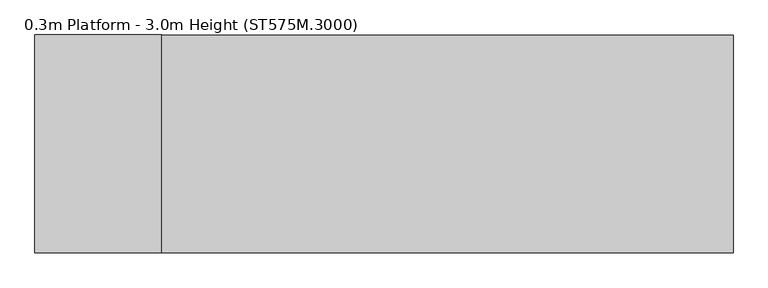
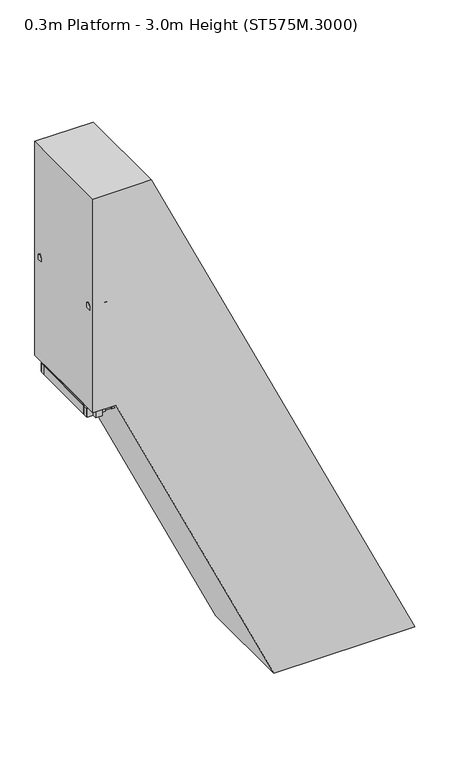
"""IFC4 building model written with IfcOpenShell, lengths in millimetres: proxy geometry, 0.3m Platform - 3.0m Height (ST575M.3000)."""

import ifcopenshell
import ifcopenshell.guid

model = None  # the IFC model being written
_history = None  # IfcOwnerHistory: only IFC2X3 demands one
_inside = {}  # id of a spatial element -> (the spatial element, [elements in it])
_under = {}  # id of a project, library or spatial element -> (it, [spatial elements below it])
_declared = {}  # id of a project -> (the project, [libraries it declares])
_typed = {}  # id of a type object -> (the type object, [elements of that type])
_made_of = {}  # id of a material, layer set ... -> (it, [elements and type objects made of it])


def new_model(schema):
    """Start an empty IFC model of exactly this schema.

    Asked for "IFC4X3", IfcOpenShell would pick the latest addendum, in which some entities
    have other attributes; the version numbers below select the first issue.
    IFC2X3 requires an IfcOwnerHistory on every rooted entity: one is made here for all.
    """
    global model, _history
    if schema == "IFC4X3":
        model = ifcopenshell.file(schema_version=(4, 3, 0, 0))
    else:
        model = ifcopenshell.file(schema=schema)
    _inside.clear()
    _under.clear()
    _declared.clear()
    _typed.clear()
    _made_of.clear()
    _history = None
    if model.schema == "IFC2X3":
        org = make("IfcOrganization", Name="unknown")
        user = make(
            "IfcPersonAndOrganization",
            ThePerson=make("IfcPerson", FamilyName="unknown"),
            TheOrganization=org,
        )
        app = make(
            "IfcApplication",
            ApplicationDeveloper=org,
            Version="unknown",
            ApplicationFullName="unknown",
            ApplicationIdentifier="unknown",
        )
        _history = make(
            "IfcOwnerHistory",
            OwningUser=user,
            OwningApplication=app,
            ChangeAction="ADDED",
            CreationDate=0,
        )
    return model


def make(cls, **values):
    """One entity of the class cls with the attributes given. An attribute that is None is left unset."""
    return model.create_entity(
        cls, **{name: value for name, value in values.items() if value is not None}
    )


def rooted(cls, **values):
    """An entity with a GlobalId (a new one), such as an element, a storey or a relation."""
    return make(cls, GlobalId=ifcopenshell.guid.new(), OwnerHistory=_history, **values)


def si_unit(unit_type, name, prefix=None):
    """IfcSIUnit, for example si_unit("LENGTHUNIT", "METRE", prefix="MILLI")."""
    return make("IfcSIUnit", UnitType=unit_type, Prefix=prefix, Name=name)


def assignment(units):
    """IfcUnitAssignment: the units of a project."""
    return None if units is None else make("IfcUnitAssignment", Units=units)


def point(xyz):
    """IfcCartesianPoint."""
    return None if xyz is None else make("IfcCartesianPoint", Coordinates=xyz)


def direction(xyz):
    """IfcDirection."""
    return None if xyz is None else make("IfcDirection", DirectionRatios=xyz)


def frame(location, z_axis=None, x_axis=None):
    """IfcAxis2Placement3D, a coordinate frame: its origin and axes. An axis left out is left unset."""
    return make(
        "IfcAxis2Placement3D",
        Location=point(location),
        Axis=direction(z_axis),
        RefDirection=direction(x_axis),
    )


def frame_2d(location, x_axis=None):
    """IfcAxis2Placement2D, a coordinate frame in the plane: its origin and x axis."""
    return make(
        "IfcAxis2Placement2D", Location=point(location), RefDirection=direction(x_axis)
    )


def origin():
    """The frame at (0, 0, 0) with its axes left unset."""
    return frame((0.0, 0.0, 0.0))


def origin_with_axes():
    """The frame at (0, 0, 0) with the z axis (0, 0, 1) and the x axis (1, 0, 0) written out."""
    return frame((0.0, 0.0, 0.0), z_axis=(0.0, 0.0, 1.0), x_axis=(1.0, 0.0, 0.0))


def place(relative_to, where):
    """IfcLocalPlacement: puts the frame where relative to a parent placement (None: the world)."""
    return make(
        "IfcLocalPlacement", PlacementRelTo=relative_to, RelativePlacement=where
    )


def context(
    kind, dimensions, precision=None, world=None, true_north=None, identifier=None
):
    """IfcGeometricRepresentationContext, for example the 3D "Model" context."""
    return make(
        "IfcGeometricRepresentationContext",
        ContextIdentifier=identifier,
        ContextType=kind,
        CoordinateSpaceDimension=dimensions,
        Precision=precision,
        WorldCoordinateSystem=world,
        TrueNorth=true_north,
    )


def project(units=None, contexts=None):
    """IfcProject with its units and contexts."""
    return rooted(
        "IfcProject",
        Name="project",
        RepresentationContexts=contexts,
        UnitsInContext=assignment(units),
    )


def spatial(cls, under=None, at=None, **own):
    """A site, building, storey or space (cls), placed at a placement, below another one or the project."""
    s = rooted(cls, ObjectPlacement=at, **own)
    if under is not None:
        _under.setdefault(under.id(), (under, []))[1].append(s)
    return s


def polyline(points):
    """IfcPolyline through the points."""
    return make("IfcPolyline", Points=[point(p) for p in points])


def circle_curve(where, radius):
    """IfcCircle in the frame where."""
    return make("IfcCircle", Position=where, Radius=radius)


def ellipse_curve(where, semi_axis1, semi_axis2):
    """IfcEllipse in the frame where."""
    return make(
        "IfcEllipse", Position=where, SemiAxis1=semi_axis1, SemiAxis2=semi_axis2
    )


def trimmed(basis, trim1, trim2, sense, master):
    """IfcTrimmedCurve: the piece of a basis curve between two trims."""
    return make(
        "IfcTrimmedCurve",
        BasisCurve=basis,
        Trim1=trim1,
        Trim2=trim2,
        SenseAgreement=sense,
        MasterRepresentation=master,
    )


def segment(curve, same_sense, transition):
    """IfcCompositeCurveSegment."""
    return make(
        "IfcCompositeCurveSegment",
        Transition=transition,
        SameSense=same_sense,
        ParentCurve=curve,
    )


def composite_curve(segments, self_intersect=None):
    """IfcCompositeCurve: segments joined end to end."""
    return make("IfcCompositeCurve", Segments=segments, SelfIntersect=self_intersect)


def outline(outer, holes=None, kind="AREA"):
    """IfcArbitraryClosedProfileDef: a profile drawn as a closed curve; with holes, ...WithVoids."""
    if holes is None:
        return make("IfcArbitraryClosedProfileDef", ProfileType=kind, OuterCurve=outer)
    return make(
        "IfcArbitraryProfileDefWithVoids",
        ProfileType=kind,
        OuterCurve=outer,
        InnerCurves=holes,
    )


def extrude(swept, where, along, depth):
    """IfcExtrudedAreaSolid: the profile swept, set in the frame where, extruded along a direction by depth."""
    return make(
        "IfcExtrudedAreaSolid",
        SweptArea=swept,
        Position=where,
        ExtrudedDirection=direction(along),
        Depth=depth,
    )


def shape(context_of_items, identifier, shape_type, items):
    """IfcShapeRepresentation: the items that make up one representation, for example the "Body"."""
    return make(
        "IfcShapeRepresentation",
        ContextOfItems=context_of_items,
        RepresentationIdentifier=identifier,
        RepresentationType=shape_type,
        Items=items,
    )


def source(mapping_origin, context_of_items, identifier, shape_type, items):
    """IfcRepresentationMap: a shape defined once, which mapped items show again and again."""
    return make(
        "IfcRepresentationMap",
        MappingOrigin=mapping_origin,
        MappedRepresentation=shape(context_of_items, identifier, shape_type, items),
    )


def transform(
    local_origin,
    x_axis=None,
    y_axis=None,
    z_axis=None,
    scale=None,
    scale2=None,
    scale3=None,
    uniform=True,
):
    """IfcCartesianTransformationOperator3D, or its non-uniform kind. x_axis, y_axis, z_axis: its Axis1, 2, 3."""
    if uniform:
        return make(
            "IfcCartesianTransformationOperator3D",
            Axis1=direction(x_axis),
            Axis2=direction(y_axis),
            LocalOrigin=point(local_origin),
            Scale=scale,
            Axis3=direction(z_axis),
        )
    return make(
        "IfcCartesianTransformationOperator3DnonUniform",
        Axis1=direction(x_axis),
        Axis2=direction(y_axis),
        LocalOrigin=point(local_origin),
        Scale=scale,
        Axis3=direction(z_axis),
        Scale2=scale2,
        Scale3=scale3,
    )


def mapped(mapping_source, mapping_target):
    """IfcMappedItem: shows the shape of a source again, moved by a transform."""
    return make(
        "IfcMappedItem", MappingSource=mapping_source, MappingTarget=mapping_target
    )


def made_of(thing, what):
    """Note that an element or type object is made of a material, layer set ...; save() writes the relation."""
    if what is not None:
        _made_of.setdefault(what.id(), (what, []))[1].append(thing)
    return thing


def element(
    cls,
    number,
    at=None,
    inside=None,
    cuts=None,
    type_object=None,
    material=None,
    context=None,
    identifier="Body",
    shape_type=None,
    held_by="IfcProductDefinitionShape",
    body=None,
    shapes=None,
    **own,
):
    """One element of the class cls, such as IfcWall. Its Tag is "e" and its number.

    at: its placement. inside: the storey or other place that contains it. cuts: it is an
    opening in that element (IfcRelVoidsElement). A single representation is given by context,
    identifier, shape_type and body (its items); several are given by shapes. held_by: the class
    of the entity that holds the representations. save() writes the other relations.
    """
    e = rooted(cls, Tag="e%d" % number, ObjectPlacement=at, **own)
    if body is not None:
        shapes = [shape(context, identifier, shape_type, body)]
    if shapes is not None:
        e.Representation = make(held_by, Representations=shapes)
    if inside is not None:
        _inside.setdefault(inside.id(), (inside, []))[1].append(e)
    if cuts is not None:
        rooted(
            "IfcRelVoidsElement", RelatingBuildingElement=cuts, RelatedOpeningElement=e
        )
    if type_object is not None:
        _typed.setdefault(type_object.id(), (type_object, []))[1].append(e)
    return made_of(e, material)


def aggregate(whole, parts):
    """IfcRelAggregates: a whole, such as a stair, and the parts it consists of."""
    return rooted("IfcRelAggregates", RelatingObject=whole, RelatedObjects=parts)


def save(model, path):
    """Write the relations noted so far, then the file.

    IfcRelAggregates (storeys below a building ...), IfcRelContainedInSpatialStructure (elements
    in a storey), IfcRelDefinesByType, IfcRelAssociatesMaterial and IfcRelDeclares: one each for
    every whole, place, type object, material and project.
    """
    for whole, parts in _under.values():
        aggregate(whole, parts)
    for where, things in _inside.values():
        rooted(
            "IfcRelContainedInSpatialStructure",
            RelatedElements=things,
            RelatingStructure=where,
        )
    for kind, things in _typed.values():
        rooted("IfcRelDefinesByType", RelatedObjects=things, RelatingType=kind)
    for what, things in _made_of.values():
        rooted("IfcRelAssociatesMaterial", RelatedObjects=things, RelatingMaterial=what)
    for by, libraries in _declared.values():
        rooted("IfcRelDeclares", RelatingContext=by, RelatedDefinitions=libraries)
    model.write(path)


def plane_surface(at):
    """IfcPlane: the flat surface through the origin of the frame at, square to its z axis."""
    return make("IfcPlane", Position=at)


def cylinder_surface(at, radius):
    """IfcCylindricalSurface: all points at the distance radius from the z axis of the frame at."""
    return make("IfcCylindricalSurface", Position=at, Radius=radius)


def advanced_brep(points, edges, surfaces, faces):
    """IfcAdvancedBrep: a solid bounded by faces that lie on surfaces and meet in shared edges.

    An edge is (start, end): straight between two places in points (the first is 0);
    or (start, end, curve); or (start, end, curve, False) where it runs against its curve.
    A face is (place in surfaces, loops), or (place, loops, False) where it looks against
    its surface's normal. A loop lists edges by number (the first is 1), with a minus sign
    where the edge is run from its end to its start. The first loop is the outer one.
    """
    corners = [point(p) for p in points]
    vertices = [make("IfcVertexPoint", VertexGeometry=c) for c in corners]
    made = []
    for start, end, *more in edges:
        made.append(
            make(
                "IfcEdgeCurve",
                EdgeStart=vertices[start],
                EdgeEnd=vertices[end],
                EdgeGeometry=more[0] if more else make("IfcPolyline", Points=[corners[start], corners[end]]),
                SameSense=more[1] if len(more) > 1 else True,
            )
        )
    hull = []
    for where, loops, *sense in faces:
        bounds = []
        for j, loop in enumerate(loops):
            ring = [make("IfcOrientedEdge", EdgeElement=made[abs(k) - 1], Orientation=k > 0) for k in loop]
            bounds.append(
                make(
                    "IfcFaceOuterBound" if j == 0 else "IfcFaceBound",
                    Bound=make("IfcEdgeLoop", EdgeList=ring),
                    Orientation=True,
                )
            )
        hull.append(make("IfcAdvancedFace", Bounds=bounds, FaceSurface=surfaces[where], SameSense=sense[0] if sense else True))
    return make("IfcAdvancedBrep", Outer=make("IfcClosedShell", CfsFaces=hull))


def proxy_0_3m_platform_3_0m_height_st575m_3000_b256cfc6(model_context):
    return source(origin(), model_context, "Body", "SolidModel", [
        extrude(outline(polyline([(2750.0, 12.5750364), (2670.0, 49.879644), (2670.0, 160.217441), (2750.0, 122.9128284), (2750.0, 12.5750364)])), frame((0.0, 298.5, 0.0), z_axis=(0.0, 1.0, 0.0), x_axis=(0.0, 0.0, 1.0)), (0.0, 0.0, 1.0), 6.0),
        extrude(outline(polyline([(2750.0, 12.5750364), (2670.0, 49.879644), (2670.0, 160.217441), (2750.0, 122.9128284), (2750.0, 12.5750364)])), frame((0.0, -304.5, 0.0), z_axis=(0.0, 1.0, 0.0), x_axis=(0.0, 0.0, 1.0)), (0.0, 0.0, 1.0), 6.0),
        extrude(outline(polyline([(2750.0, 19.7469927), (2712.0999991, 37.4200509), (2712.0999991, 39.6268067), (2747.0, 23.3526712), (2747.0, 122.1049955), (2712.0999991, 138.3791332), (2712.0999991, 140.585889), (2750.0, 122.9128284), (2750.0, 102.4850872), (2749.2749538, 102.1469927), (2750.0, 101.8088981), (2750.0, 81.8850872), (2749.2749538, 81.5469927), (2750.0, 81.2088981), (2750.0, 61.2850872), (2749.2749538, 60.9469927), (2750.0, 60.6088981), (2750.0, 40.6850872), (2749.2749538, 40.3469927), (2750.0, 40.0088981), (2750.0, 19.7469927)])), frame((0.0, -298.5, 0.0), z_axis=(0.0, 1.0, 0.0), x_axis=(0.0, 0.0, 1.0)), (0.0, 0.0, 1.0), 597.0),
        extrude(outline(polyline([(2500.0, 129.1548609), (2420.0, 166.4594685), (2420.0, 276.7972656), (2500.0, 239.492653), (2500.0, 129.1548609)])), frame((0.0, 298.5, 0.0), z_axis=(0.0, 1.0, 0.0), x_axis=(0.0, 0.0, 1.0)), (0.0, 0.0, 1.0), 6.0),
        extrude(outline(polyline([(2500.0, 129.1548609), (2420.0, 166.4594685), (2420.0, 276.7972656), (2500.0, 239.492653), (2500.0, 129.1548609)])), frame((0.0, -304.5, 0.0), z_axis=(0.0, 1.0, 0.0), x_axis=(0.0, 0.0, 1.0)), (0.0, 0.0, 1.0), 6.0),
        extrude(outline(polyline([(2500.0, 136.3268172), (2462.0999991, 153.9998755), (2462.0999991, 156.2066313), (2497.0, 139.9324958), (2497.0, 238.6848201), (2462.0999991, 254.9589578), (2462.0999991, 257.1657136), (2500.0, 239.492653), (2500.0, 219.0649118), (2499.2749538, 218.7268172), (2500.0, 218.3887227), (2500.0, 198.4649118), (2499.2749538, 198.1268172), (2500.0, 197.7887227), (2500.0, 177.8649118), (2499.2749538, 177.5268172), (2500.0, 177.1887227), (2500.0, 157.2649118), (2499.2749538, 156.9268172), (2500.0, 156.5887227), (2500.0, 136.3268172)])), frame((0.0, -298.5, 0.0), z_axis=(0.0, 1.0, 0.0), x_axis=(0.0, 0.0, 1.0)), (0.0, 0.0, 1.0), 597.0),
        extrude(outline(polyline([(2250.0, 245.7346855), (2170.0, 283.0392931), (2170.0, 393.3770902), (2250.0, 356.0724775), (2250.0, 245.7346855)])), frame((0.0, 298.5, 0.0), z_axis=(0.0, 1.0, 0.0), x_axis=(0.0, 0.0, 1.0)), (0.0, 0.0, 1.0), 6.0),
        extrude(outline(polyline([(2250.0, 245.7346855), (2170.0, 283.0392931), (2170.0, 393.3770902), (2250.0, 356.0724775), (2250.0, 245.7346855)])), frame((0.0, -304.5, 0.0), z_axis=(0.0, 1.0, 0.0), x_axis=(0.0, 0.0, 1.0)), (0.0, 0.0, 1.0), 6.0),
        extrude(outline(polyline([(2250.0, 252.9066418), (2212.0999991, 270.5797), (2212.0999991, 272.7864558), (2247.0, 256.5123204), (2247.0, 355.2646447), (2212.0999991, 371.5387823), (2212.0999991, 373.7455382), (2250.0, 356.0724775), (2250.0, 335.6447364), (2249.2749538, 335.3066418), (2250.0, 334.9685472), (2250.0, 315.0447364), (2249.2749538, 314.7066418), (2250.0, 314.3685472), (2250.0, 294.4447364), (2249.2749538, 294.1066418), (2250.0, 293.7685472), (2250.0, 273.8447364), (2249.2749538, 273.5066418), (2250.0, 273.1685472), (2250.0, 252.9066418)])), frame((0.0, -298.5, 0.0), z_axis=(0.0, 1.0, 0.0), x_axis=(0.0, 0.0, 1.0)), (0.0, 0.0, 1.0), 597.0),
        extrude(outline(polyline([(2000.0, 362.3145101), (1920.0, 399.6191177), (1920.0, 509.9569147), (2000.0, 472.6523021), (2000.0, 362.3145101)])), frame((0.0, 298.5, 0.0), z_axis=(0.0, 1.0, 0.0), x_axis=(0.0, 0.0, 1.0)), (0.0, 0.0, 1.0), 6.0),
        extrude(outline(polyline([(2000.0, 362.3145101), (1920.0, 399.6191177), (1920.0, 509.9569147), (2000.0, 472.6523021), (2000.0, 362.3145101)])), frame((0.0, -304.5, 0.0), z_axis=(0.0, 1.0, 0.0), x_axis=(0.0, 0.0, 1.0)), (0.0, 0.0, 1.0), 6.0),
        extrude(outline(polyline([(2000.0, 369.4864664), (1962.0999991, 387.1595246), (1962.0999991, 389.3662804), (1997.0, 373.0921449), (1997.0, 471.8444692), (1962.0999991, 488.1186069), (1962.0999991, 490.3253627), (2000.0, 472.6523021), (2000.0, 452.2245609), (1999.2749538, 451.8864664), (2000.0, 451.5483718), (2000.0, 431.6245609), (1999.2749538, 431.2864664), (2000.0, 430.9483718), (2000.0, 411.0245609), (1999.2749538, 410.6864664), (2000.0, 410.3483718), (2000.0, 390.4245609), (1999.2749538, 390.0864664), (2000.0, 389.7483718), (2000.0, 369.4864664)])), frame((0.0, -298.5, 0.0), z_axis=(0.0, 1.0, 0.0), x_axis=(0.0, 0.0, 1.0)), (0.0, 0.0, 1.0), 597.0),
        extrude(outline(polyline([(1750.0, 478.8943346), (1670.0, 516.1989422), (1670.0, 626.5367393), (1750.0, 589.2321266), (1750.0, 478.8943346)])), frame((0.0, 298.5, 0.0), z_axis=(0.0, 1.0, 0.0), x_axis=(0.0, 0.0, 1.0)), (0.0, 0.0, 1.0), 6.0),
        extrude(outline(polyline([(1750.0, 478.8943346), (1670.0, 516.1989422), (1670.0, 626.5367393), (1750.0, 589.2321266), (1750.0, 478.8943346)])), frame((0.0, -304.5, 0.0), z_axis=(0.0, 1.0, 0.0), x_axis=(0.0, 0.0, 1.0)), (0.0, 0.0, 1.0), 6.0),
        extrude(outline(polyline([(1750.0, 486.0662909), (1712.0999991, 503.7393492), (1712.0999991, 505.9461049), (1747.0, 489.6719695), (1747.0, 588.4242938), (1712.0999991, 604.6984314), (1712.0999991, 606.9051873), (1750.0, 589.2321266), (1750.0, 568.8043855), (1749.2749538, 568.4662909), (1750.0, 568.1281963), (1750.0, 548.2043855), (1749.2749538, 547.8662909), (1750.0, 547.5281963), (1750.0, 527.6043855), (1749.2749538, 527.2662909), (1750.0, 526.9281963), (1750.0, 507.0043855), (1749.2749538, 506.6662909), (1750.0, 506.3281963), (1750.0, 486.0662909)])), frame((0.0, -298.5, 0.0), z_axis=(0.0, 1.0, 0.0), x_axis=(0.0, 0.0, 1.0)), (0.0, 0.0, 1.0), 597.0),
        extrude(outline(polyline([(1500.0, 595.4741592), (1420.0, 632.7787668), (1420.0, 743.1165638), (1500.0, 705.8119512), (1500.0, 595.4741592)])), frame((0.0, 298.5, 0.0), z_axis=(0.0, 1.0, 0.0), x_axis=(0.0, 0.0, 1.0)), (0.0, 0.0, 1.0), 6.0),
        extrude(outline(polyline([(1500.0, 595.4741592), (1420.0, 632.7787668), (1420.0, 743.1165638), (1500.0, 705.8119512), (1500.0, 595.4741592)])), frame((0.0, -304.5, 0.0), z_axis=(0.0, 1.0, 0.0), x_axis=(0.0, 0.0, 1.0)), (0.0, 0.0, 1.0), 6.0),
        extrude(outline(polyline([(1500.0, 602.6461155), (1462.0999991, 620.3191737), (1462.0999991, 622.5259295), (1497.0, 606.251794), (1497.0, 705.0041183), (1462.0999991, 721.278256), (1462.0999991, 723.4850118), (1500.0, 705.8119512), (1500.0, 685.38421), (1499.2749538, 685.0461155), (1500.0, 684.7080209), (1500.0, 664.78421), (1499.2749538, 664.4461155), (1500.0, 664.1080209), (1500.0, 644.18421), (1499.2749538, 643.8461155), (1500.0, 643.5080209), (1500.0, 623.58421), (1499.2749538, 623.2461155), (1500.0, 622.9080209), (1500.0, 602.6461155)])), frame((0.0, -298.5, 0.0), z_axis=(0.0, 1.0, 0.0), x_axis=(0.0, 0.0, 1.0)), (0.0, 0.0, 1.0), 597.0),
        extrude(outline(polyline([(1250.0, 712.0539837), (1170.0, 749.3585913), (1170.0, 859.6963884), (1250.0, 822.3917758), (1250.0, 712.0539837)])), frame((0.0, 298.5, 0.0), z_axis=(0.0, 1.0, 0.0), x_axis=(0.0, 0.0, 1.0)), (0.0, 0.0, 1.0), 6.0),
        extrude(outline(polyline([(1250.0, 712.0539837), (1170.0, 749.3585913), (1170.0, 859.6963884), (1250.0, 822.3917758), (1250.0, 712.0539837)])), frame((0.0, -304.5, 0.0), z_axis=(0.0, 1.0, 0.0), x_axis=(0.0, 0.0, 1.0)), (0.0, 0.0, 1.0), 6.0),
        extrude(outline(polyline([(1250.0, 719.22594), (1212.0999991, 736.8989983), (1212.0999991, 739.1057541), (1247.0, 722.8316186), (1247.0, 821.5839429), (1212.0999991, 837.8580806), (1212.0999991, 840.0648364), (1250.0, 822.3917758), (1250.0, 801.9640346), (1249.2749538, 801.62594), (1250.0, 801.2878455), (1250.0, 781.3640346), (1249.2749538, 781.02594), (1250.0, 780.6878455), (1250.0, 760.7640346), (1249.2749538, 760.42594), (1250.0, 760.0878455), (1250.0, 740.1640346), (1249.2749538, 739.82594), (1250.0, 739.4878455), (1250.0, 719.22594)])), frame((0.0, -298.5, 0.0), z_axis=(0.0, 1.0, 0.0), x_axis=(0.0, 0.0, 1.0)), (0.0, 0.0, 1.0), 597.0),
        extrude(outline(polyline([(1000.0, 828.6338083), (920.0, 865.9384159), (920.0, 976.276213), (1000.0, 938.9716003), (1000.0, 828.6338083)])), frame((0.0, 298.5, 0.0), z_axis=(0.0, 1.0, 0.0), x_axis=(0.0, 0.0, 1.0)), (0.0, 0.0, 1.0), 6.0),
        extrude(outline(polyline([(1000.0, 828.6338083), (920.0, 865.9384159), (920.0, 976.276213), (1000.0, 938.9716003), (1000.0, 828.6338083)])), frame((0.0, -304.5, 0.0), z_axis=(0.0, 1.0, 0.0), x_axis=(0.0, 0.0, 1.0)), (0.0, 0.0, 1.0), 6.0),
        extrude(outline(polyline([(1000.0, 835.8057646), (962.0999991, 853.4788228), (962.0999991, 855.6855786), (997.0, 839.4114432), (997.0, 938.1637674), (962.0999991, 954.4379051), (962.0999991, 956.644661), (1000.0, 938.9716003), (1000.0, 918.5438592), (999.2749538, 918.2057646), (1000.0, 917.86767), (1000.0, 897.9438592), (999.2749538, 897.6057646), (1000.0, 897.26767), (1000.0, 877.3438592), (999.2749538, 877.0057646), (1000.0, 876.66767), (1000.0, 856.7438592), (999.2749538, 856.4057646), (1000.0, 856.06767), (1000.0, 835.8057646)])), frame((0.0, -298.5, 0.0), z_axis=(0.0, 1.0, 0.0), x_axis=(0.0, 0.0, 1.0)), (0.0, 0.0, 1.0), 597.0),
        extrude(outline(polyline([(750.0, 945.2136328), (670.0, 982.5182404), (670.0, 1092.8560375), (750.0, 1055.5514249), (750.0, 945.2136328)])), frame((0.0, 298.5, 0.0), z_axis=(0.0, 1.0, 0.0), x_axis=(0.0, 0.0, 1.0)), (0.0, 0.0, 1.0), 6.0),
        extrude(outline(polyline([(750.0, 945.2136328), (670.0, 982.5182404), (670.0, 1092.8560375), (750.0, 1055.5514249), (750.0, 945.2136328)])), frame((0.0, -304.5, 0.0), z_axis=(0.0, 1.0, 0.0), x_axis=(0.0, 0.0, 1.0)), (0.0, 0.0, 1.0), 6.0),
        extrude(outline(polyline([(750.0, 952.3855891), (712.0999991, 970.0586474), (712.0999991, 972.2654032), (747.0, 955.9912677), (747.0, 1054.743592), (712.0999991, 1071.0177297), (712.0999991, 1073.2244855), (750.0, 1055.5514249), (750.0, 1035.1236837), (749.2749538, 1034.7855891), (750.0, 1034.4474946), (750.0, 1014.5236837), (749.2749538, 1014.1855891), (750.0, 1013.8474946), (750.0, 993.9236837), (749.2749538, 993.5855891), (750.0, 993.2474946), (750.0, 973.3236837), (749.2749538, 972.9855891), (750.0, 972.6474946), (750.0, 952.3855891)])), frame((0.0, -298.5, 0.0), z_axis=(0.0, 1.0, 0.0), x_axis=(0.0, 0.0, 1.0)), (0.0, 0.0, 1.0), 597.0),
        extrude(outline(polyline([(500.0, 1061.7934574), (420.0, 1099.098065), (420.0, 1209.4358621), (500.0, 1172.1312494), (500.0, 1061.7934574)])), frame((0.0, 298.5, 0.0), z_axis=(0.0, 1.0, 0.0), x_axis=(0.0, 0.0, 1.0)), (0.0, 0.0, 1.0), 6.0),
        extrude(outline(polyline([(500.0, 1061.7934574), (420.0, 1099.098065), (420.0, 1209.4358621), (500.0, 1172.1312494), (500.0, 1061.7934574)])), frame((0.0, -304.5, 0.0), z_axis=(0.0, 1.0, 0.0), x_axis=(0.0, 0.0, 1.0)), (0.0, 0.0, 1.0), 6.0),
        extrude(outline(polyline([(500.0, 1068.9654137), (462.0999991, 1086.638472), (462.0999991, 1088.8452277), (497.0, 1072.5710923), (497.0, 1171.3234166), (462.0999991, 1187.5975542), (462.0999991, 1189.8043101), (500.0, 1172.1312494), (500.0, 1151.7035083), (499.2749538, 1151.3654137), (500.0, 1151.0273191), (500.0, 1131.1035083), (499.2749538, 1130.7654137), (500.0, 1130.4273191), (500.0, 1110.5035083), (499.2749538, 1110.1654137), (500.0, 1109.8273191), (500.0, 1089.9035083), (499.2749538, 1089.5654137), (500.0, 1089.2273191), (500.0, 1068.9654137)])), frame((0.0, -298.5, 0.0), z_axis=(0.0, 1.0, 0.0), x_axis=(0.0, 0.0, 1.0)), (0.0, 0.0, 1.0), 597.0),
        extrude(outline(polyline([(0.0, -6.0), (0.0, 0.0), (50.0, 0.0), (50.0, -6.0), (0.0, -6.0)])), frame((368.898791, 296.0, 1938.5847001), z_axis=(-8.781861804862954e-06, 0.0, 0.9999999999614395), x_axis=(0.0, -1.0, 0.0)), (0.0, 0.0, 1.0), 120.0),
        extrude(outline(polyline([(2000.5856226, 473.9440907), (2058.585385, 446.8977372), (2058.5847001, 368.8977372), (2000.5847001, 368.8982465), (2000.5856226, 473.9440907)])), frame((0.0, 252.0, 0.0), z_axis=(0.0, 1.0, 0.0), x_axis=(0.0, 0.0, 1.0)), (0.0, 0.0, 1.0), 38.0),
        extrude(outline(polyline([(0.0, -6.0), (0.0, 0.0), (50.0, 0.0), (50.0, -6.0), (0.0, -6.0)])), frame((362.898791, -296.0, 1938.5846474), z_axis=(-8.781861802475976e-06, 0.0, 0.9999999999614396), x_axis=(0.0, 1.0, 0.0)), (0.0, 0.0, 1.0), 120.0),
        extrude(outline(polyline([(2000.5856226, 473.9440907), (2058.585385, 446.8977372), (2058.5847001, 368.8977372), (2000.5847001, 368.8982465), (2000.5856226, 473.9440907)])), frame((0.0, -290.0, 0.0), z_axis=(0.0, 1.0, 0.0), x_axis=(0.0, 0.0, 1.0)), (0.0, 0.0, 1.0), 38.0),
        extrude(outline(polyline([(0.0, -590.0), (0.0, 0.0), (2.0, 0.0), (2.0, -590.0), (0.0, -590.0)])), frame((1427.7195037, -295.0, 49.9008248), z_axis=(-0.42262622079413426, 0.0, 0.9063040756265349), x_axis=(-0.9063040756265349, 0.0, -0.42262622079413426)), (0.0, 0.0, 1.0), 2240.0),
        extrude(outline(polyline([(2250.0, 0.0), (2250.0, -600.0), (0.0, -600.0), (0.0, 0.0), (2250.0, 0.0)]), holes=[polyline([(1096.0, -58.0), (58.0, -58.0), (58.0, -542.0), (1096.0, -542.0), (1096.0, -58.0)]), polyline([(1154.0, -542.0), (2192.0, -542.0), (2192.0, -58.0), (1154.0, -58.0), (1154.0, -542.0)])]), frame((442.671475, 300.0, 2067.6484258), z_axis=(0.9063040756265349, 0.0, 0.42262622079413426), x_axis=(0.42262622079413426, 0.0, -0.9063040756265349)), (0.0, 0.0, 1.0), 38.0),
        extrude(outline(polyline([(0.0, 0.0), (79.9999999, 0.0), (79.9999999, -6.0), (5.9999999, -6.0), (5.9999999, -50.0), (0.0, -50.0), (0.0, 0.0)])), frame((1325.9602764, 343.0, 173.4729077), z_axis=(-0.42262622079413426, 0.0, 0.9063040756265349), x_axis=(-0.9063040756265349, 0.0, -0.42262622079413426)), (0.0, 0.0, 1.0), 50.0),
        extrude(outline(polyline([(0.0, 686.0), (0.0, 736.0), (5.9999999, 736.0), (5.9999999, 692.0), (79.9999999, 692.0), (79.9999999, 686.0), (0.0, 686.0)])), frame((1325.9602764, 343.0, 173.4729077), z_axis=(-0.42262622079413426, 0.0, 0.9063040756265349), x_axis=(-0.9063040756265349, 0.0, -0.42262622079413426)), (0.0, 0.0, 1.0), 50.0),
        extrude(outline(polyline([(-100.0, 0.0), (0.0, 0.0), (0.0, -50.0), (-6.0, -50.0), (-6.0, -6.0000001), (-100.0, -6.0000001), (-100.0, 0.0)])), frame((1325.9602764, -300.0, 173.4729077), z_axis=(-0.42262622079413426, 0.0, 0.9063040756265349), x_axis=(0.0, 1.0, 0.0)), (0.0, 0.0, 1.0), 50.0),
        extrude(outline(polyline([(700.0, 0.0), (700.0, -6.0000001), (606.0, -6.0000001), (606.0, -50.0), (600.0, -50.0), (600.0, 0.0), (700.0, 0.0)])), frame((1325.9602764, -300.0, 173.4729077), z_axis=(-0.42262622079413426, 0.0, 0.9063040756265349), x_axis=(0.0, 1.0, 0.0)), (0.0, 0.0, 1.0), 50.0),
        extrude(outline(polyline([(1117.980178, 929.6545025), (1132.3752601, 975.9041685), (1038.1196362, 1019.8572955), (1011.9426011, 979.1017703), (989.2849992, 989.6674258), (993.5112614, 998.7304666), (1008.0121267, 991.9684471), (1034.1891617, 1032.7239722), (1144.758259, 981.1635733), (1130.3631769, 934.9139072), (1144.8640421, 928.1518877), (1140.6377799, 919.088847), (1117.980178, 929.6545025)])), frame((0.0, 201.0, 0.0), z_axis=(0.0, 1.0, 0.0), x_axis=(0.0, 0.0, 1.0)), (0.0, 0.0, 1.0), 44.0),
        extrude(outline(polyline([(1117.980178, 929.6545025), (1132.3752601, 975.9041685), (1038.1196362, 1019.8572955), (1011.9426011, 979.1017703), (989.2849992, 989.6674258), (993.5112614, 998.7304666), (1008.0121267, 991.9684471), (1034.1891617, 1032.7239722), (1144.758259, 981.1635733), (1130.3631769, 934.9139072), (1144.8640421, 928.1518877), (1140.6377799, 919.088847), (1117.980178, 929.6545025)])), frame((0.0, -245.0, 0.0), z_axis=(0.0, 1.0, 0.0), x_axis=(0.0, 0.0, 1.0)), (0.0, 0.0, 1.0), 44.0),
        extrude(outline(polyline([(-0.0541093, 0.0), (0.7582532, 5.9447512), (185.4590012, 5.9447512), (254.8144323, -3.5328109), (254.0020698, -9.4775622), (184.6466388, 0.0), (-0.0541093, 0.0)])), frame((1096.3613539, 375.0, 1079.9808913), z_axis=(-0.4226262207941343, 0.0, 0.9063040756265349), x_axis=(-0.8979587117354807, -0.13539374535780632, -0.41873462447753396)), (0.0, 0.0, 1.0), 80.0),
        extrude(outline(polyline([(-0.0541094, 0.0), (0.7582531, 5.9447512), (185.4590013, 5.9447512), (254.8144324, -3.5328109), (254.0020699, -9.4775622), (184.6466388, 0.0), (-0.0541094, 0.0)])), frame((268.8167535, 375.0, 2854.6153252), z_axis=(-0.4226262207941343, 0.0, 0.9063040756265349), x_axis=(-0.8979587117354807, -0.13539374535780632, -0.41873462447753396)), (0.0, 0.0, 1.0), 80.0),
        extrude(outline(polyline([(0.0, 32.0), (3.0000001, 32.0), (3.0000001, 0.0), (0.0, 0.0), (0.0, 32.0)])), frame((1111.8076407, 388.0, 1054.0823052), z_axis=(-0.42262622079413426, 0.0, 0.9063040756265349), x_axis=(-0.9063040756265349, 0.0, -0.42262622079413426)), (0.0, 0.0, 1.0), 140.0),
        extrude(outline(polyline([(0.0, 32.0), (3.0, 32.0), (3.0, 0.0), (0.0, 0.0), (0.0, 32.0)])), frame((284.2630403, 388.0, 2828.716739), z_axis=(-0.42262622079413426, 0.0, 0.9063040756265349), x_axis=(-0.9063040756265349, 0.0, -0.42262622079413426)), (0.0, 0.0, 1.0), 140.0),
        extrude(outline(composite_curve([segment(trimmed(circle_curve(frame_2d((0.0, 14.189404)), 22.4521533), [point((-17.4, 0.0))], [point((17.4, 0.0))], False, "CARTESIAN"), True, "CONTINUOUS"), segment(polyline([(17.4, 0.0), (-17.4, 0.0)]), True, "CONTINUOUS")], self_intersect=False)), frame((1183.6540982, 372.0, 900.0106123), z_axis=(-0.42262622079413426, 0.0, 0.9063040756265349), x_axis=(0.0, -1.0, 0.0)), (0.0, 0.0, 1.0), 3288.1004671),
        extrude(outline(polyline([(-0.0541093, 0.0), (184.6466389, 0.0), (254.0020699, 9.4775622), (254.8144324, 3.5328109), (185.4590014, -5.9447512), (0.7582532, -5.9447512), (-0.0541093, 0.0)])), frame((1096.3608039, -375.0, 1079.9820711), z_axis=(-0.4226262207941343, 0.0, 0.9063040756265349), x_axis=(-0.8979587117354807, 0.13539374535780632, -0.41873462447753396)), (0.0, 0.0, 1.0), 80.0),
        extrude(outline(polyline([(-0.0541093, 0.0), (184.6466388, 0.0), (254.0020698, 9.4775622), (254.8144323, 3.5328109), (185.4590013, -5.9447512), (0.7582532, -5.9447512), (-0.0541093, 0.0)])), frame((268.8162035, -375.0, 2854.6165049), z_axis=(-0.4226262207941343, 0.0, 0.9063040756265349), x_axis=(-0.8979587117354807, 0.13539374535780632, -0.41873462447753396)), (0.0, 0.0, 1.0), 80.0),
        extrude(outline(polyline([(0.0, -32.0), (0.0, 0.0), (3.0, 0.0), (3.0, -32.0), (0.0, -32.0)])), frame((1111.8070906, -388.0, 1054.0834849), z_axis=(-0.42262622079413426, 0.0, 0.9063040756265349), x_axis=(-0.9063040756265349, 0.0, -0.42262622079413426)), (0.0, 0.0, 1.0), 140.0),
        extrude(outline(polyline([(0.0, -32.0), (0.0, 0.0), (2.9999999, 0.0), (2.9999999, -32.0), (0.0, -32.0)])), frame((284.2624903, -388.0, 2828.7179187), z_axis=(-0.42262622079413426, 0.0, 0.9063040756265349), x_axis=(-0.9063040756265349, 0.0, -0.42262622079413426)), (0.0, 0.0, 1.0), 140.0),
        extrude(outline(composite_curve([segment(polyline([(-17.4, 0.0), (17.4, 0.0)]), True, "CONTINUOUS"), segment(trimmed(circle_curve(frame_2d((0.0, -14.189404)), 22.4521533), [point((17.4, 0.0))], [point((-17.4, 0.0))], False, "CARTESIAN"), True, "CONTINUOUS")], self_intersect=False)), frame((1183.6535482, -372.0, 900.011792), z_axis=(-0.42262622079413426, 0.0, 0.9063040756265349), x_axis=(0.0, 1.0, 0.0)), (0.0, 0.0, 1.0), 3288.1004671),
        extrude(outline(polyline([(3000.0, -104.0047882), (2920.0, -66.7001806), (2920.0, 43.6376165), (3000.0, 6.3330038), (3000.0, -104.0047882)])), frame((0.0, 298.5, 0.0), z_axis=(0.0, 1.0, 0.0), x_axis=(0.0, 0.0, 1.0)), (0.0, 0.0, 1.0), 6.0),
        extrude(outline(polyline([(3000.0, -104.0047882), (2920.0, -66.7001806), (2920.0, 43.6376165), (3000.0, 6.3330038), (3000.0, -104.0047882)])), frame((0.0, -304.5, 0.0), z_axis=(0.0, 1.0, 0.0), x_axis=(0.0, 0.0, 1.0)), (0.0, 0.0, 1.0), 6.0),
        extrude(outline(polyline([(3000.0, -96.8328319), (2962.0999991, -79.1597736), (2962.0999991, -76.9530179), (2997.0, -93.2271533), (2997.0, 5.525171), (2962.0999991, 21.7993086), (2962.0999991, 24.0060645), (3000.0, 6.3330038), (3000.0, -14.0947373), (2999.2749538, -14.4328319), (3000.0, -14.7709265), (3000.0, -34.6947373), (2999.2749538, -35.0328319), (3000.0, -35.3709265), (3000.0, -55.2947373), (2999.2749538, -55.6328319), (3000.0, -55.9709265), (3000.0, -75.8947373), (2999.2749538, -76.2328319), (3000.0, -76.5709265), (3000.0, -96.8328319)])), frame((0.0, -298.5, 0.0), z_axis=(0.0, 1.0, 0.0), x_axis=(0.0, 0.0, 1.0)), (0.0, 0.0, 1.0), 597.0),
        extrude(outline(polyline([(250.0, 1178.373282), (170.0, 1215.6778896), (170.0, 1326.0156866), (250.0, 1288.711074), (250.0, 1178.373282)])), frame((0.0, 298.5, 0.0), z_axis=(0.0, 1.0, 0.0), x_axis=(0.0, 0.0, 1.0)), (0.0, 0.0, 1.0), 6.0),
        extrude(outline(polyline([(250.0, 1178.373282), (170.0, 1215.6778896), (170.0, 1326.0156866), (250.0, 1288.711074), (250.0, 1178.373282)])), frame((0.0, -304.5, 0.0), z_axis=(0.0, 1.0, 0.0), x_axis=(0.0, 0.0, 1.0)), (0.0, 0.0, 1.0), 6.0),
        extrude(outline(polyline([(250.0, 1185.5452383), (212.0999991, 1203.2182965), (212.0999991, 1205.4250523), (247.0, 1189.1509168), (247.0, 1287.9032411), (212.0999991, 1304.1773788), (212.0999991, 1306.3841346), (250.0, 1288.711074), (250.0, 1268.2833328), (249.2749538, 1267.9452383), (250.0, 1267.6071437), (250.0, 1247.6833328), (249.2749538, 1247.3452383), (250.0, 1247.0071437), (250.0, 1227.0833328), (249.2749538, 1226.7452383), (250.0, 1226.4071437), (250.0, 1206.4833328), (249.2749538, 1206.1452383), (250.0, 1205.8071437), (250.0, 1185.5452383)])), frame((0.0, -298.5, 0.0), z_axis=(0.0, 1.0, 0.0), x_axis=(0.0, 0.0, 1.0)), (0.0, 0.0, 1.0), 597.0),
        extrude(outline(polyline([(-108.8328319, -304.5), (-146.8328319, -304.5), (-146.8328319, 304.5), (-108.8328319, 304.5), (-108.8328319, -304.5)])), frame((0.0, 0.0, 2923.0), z_axis=(0.0, 0.0, 1.0), x_axis=(1.0, 0.0, 0.0)), (0.0, 0.0, 1.0), 58.0),
        advanced_brep(
        [(-256.8328319, 372.0, 3942.0), (-256.8328319, 372.0, 3987.0), (-244.1016939, 372.0, 3942.0), (-215.4337404, 372.0, 3987.0), (-213.5569732, 372.0, 3876.4977609), (-172.773248, 372.0, 3895.5158512)],
        [
            (0, 1, circle_curve(frame((-256.8328319, 372.0, 3964.5), z_axis=(-1.0, 0.0, 0.0), x_axis=(0.0, 0.0, 1.0)), 22.5)),
            (1, 0, circle_curve(frame((-256.8328319, 372.0, 3964.5), z_axis=(-1.0, 0.0, 0.0), x_axis=(0.0, 0.0, 1.0)), 22.5)),
            (0, 2),
            (2, 3, ellipse_curve(frame((-229.7677171, 372.0, 3964.5), z_axis=(-0.8433932143582891, 0.0, 0.5372968322765296), x_axis=(-0.5372968322765295, 0.0, -0.8433932143582891)), 26.6779476, 22.5)),
            (3, 1),
            (3, 2, ellipse_curve(frame((-229.7677171, 372.0, 3964.5), z_axis=(-0.8433932143582891, 0.0, 0.5372968322765296), x_axis=(-0.5372968322765295, 0.0, -0.8433932143582891)), 26.6779476, 22.5)),
            (4, 5, circle_curve(frame((-193.1651106, 372.0, 3886.0068061), z_axis=(0.4226242280512137, 0.0, -0.9063050048764576), x_axis=(0.9063050048764576, 0.0, 0.4226242280512137)), 22.5)),
            (5, 4, circle_curve(frame((-193.1651106, 372.0, 3886.0068061), z_axis=(0.4226242280512137, 0.0, -0.9063050048764576), x_axis=(0.9063050048764576, 0.0, 0.4226242280512137)), 22.5)),
            (2, 4),
            (5, 3),
        ],
        [
            plane_surface(frame((-256.8328319, 0.0, 3987.0), z_axis=(-1.0, 0.0, 0.0), x_axis=(0.0, -1.0, 0.0))),
            cylinder_surface(frame((-256.8328319, 372.0, 3964.5), z_axis=(-1.0, 0.0, 0.0), x_axis=(0.0, 0.0, 1.0)), 22.5),
            plane_surface(frame((-172.773248, 0.0, 3895.5158512), z_axis=(0.4226242280512137, 0.0, -0.9063050048764576), x_axis=(0.0, -1.0, 0.0))),
            cylinder_surface(frame((-235.825603, 372.0, 3977.4909549), z_axis=(-0.4226242280512137, 0.0, 0.9063050048764576), x_axis=(0.9063050048764576, 0.0, 0.4226242280512137)), 22.5),
        ],
        [
            (0, [[1, 2]]),
            (1, [[-1, 3, 4, 5]]),
            (1, [[-2, -5, 6, -3]]),
            (2, [[7, 8]]),
            (3, [[-4, 9, -8, 10]]),
            (3, [[-6, -10, -7, -9]]),
        ],
    ),
        advanced_brep(
        [(-256.8328319, -372.0, 3942.0), (-256.8328319, -372.0, 3987.0), (-244.1016939, -372.0, 3942.0), (-215.4337404, -372.0, 3987.0), (-213.5569732, -372.0, 3876.4977609), (-172.773248, -372.0, 3895.5158512)],
        [
            (0, 1, circle_curve(frame((-256.8328319, -372.0, 3964.5), z_axis=(-1.0, 0.0, 0.0), x_axis=(0.0, 0.0, 1.0)), 22.5)),
            (1, 0, circle_curve(frame((-256.8328319, -372.0, 3964.5), z_axis=(-1.0, 0.0, 0.0), x_axis=(0.0, 0.0, 1.0)), 22.5)),
            (0, 2),
            (2, 3, ellipse_curve(frame((-229.7677171, -372.0, 3964.5), z_axis=(-0.8433932143582891, 0.0, 0.5372968322765296), x_axis=(-0.5372968322765295, 0.0, -0.8433932143582891)), 26.6779476, 22.5)),
            (3, 1),
            (3, 2, ellipse_curve(frame((-229.7677171, -372.0, 3964.5), z_axis=(-0.8433932143582891, 0.0, 0.5372968322765296), x_axis=(-0.5372968322765295, 0.0, -0.8433932143582891)), 26.6779476, 22.5)),
            (4, 5, circle_curve(frame((-193.1651106, -372.0, 3886.0068061), z_axis=(0.4226242280512137, 0.0, -0.9063050048764576), x_axis=(0.9063050048764576, 0.0, 0.4226242280512137)), 22.5)),
            (5, 4, circle_curve(frame((-193.1651106, -372.0, 3886.0068061), z_axis=(0.4226242280512137, 0.0, -0.9063050048764576), x_axis=(0.9063050048764576, 0.0, 0.4226242280512137)), 22.5)),
            (2, 4),
            (5, 3),
        ],
        [
            plane_surface(frame((-256.8328319, 0.0, 3987.0), z_axis=(-1.0, 0.0, 0.0), x_axis=(0.0, -1.0, 0.0))),
            cylinder_surface(frame((-256.8328319, -372.0, 3964.5), z_axis=(-1.0, 0.0, 0.0), x_axis=(0.0, 0.0, 1.0)), 22.5),
            plane_surface(frame((-172.773248, 0.0, 3895.5158512), z_axis=(0.4226242280512137, 0.0, -0.9063050048764576), x_axis=(0.0, -1.0, 0.0))),
            cylinder_surface(frame((-235.825603, -372.0, 3977.4909549), z_axis=(-0.4226242280512137, 0.0, 0.9063050048764576), x_axis=(0.9063050048764576, 0.0, 0.4226242280512137)), 22.5),
        ],
        [
            (0, [[1, 2]]),
            (1, [[-1, 3, 4, 5]]),
            (1, [[-2, -5, 6, -3]]),
            (2, [[7, 8]]),
            (3, [[-4, 9, -8, 10]]),
            (3, [[-6, -10, -7, -9]]),
        ],
    ),
        extrude(outline(polyline([(-390.8328319, -304.5), (-396.8328319, -304.5), (-396.8328319, 304.5), (-390.8328319, 304.5), (-390.8328319, -304.5)])), frame((0.0, 0.0, 2901.0), z_axis=(0.0, 0.0, 1.0), x_axis=(1.0, 0.0, 0.0)), (0.0, 0.0, 1.0), 80.0),
        extrude(outline(composite_curve([segment(polyline([(349.5, 3930.0), (349.5, 3964.5)]), True, "CONTINUOUS"), segment(trimmed(circle_curve(frame_2d((372.0, 3964.5)), 22.5), [point((349.5, 3964.5))], [point((394.5, 3964.5))], False, "CARTESIAN"), True, "CONTINUOUS"), segment(polyline([(394.5, 3964.5), (394.5, 3930.0), (349.5, 3930.0)]), True, "CONTINUOUS")], self_intersect=False)), frame((-396.8328319, 0.0, 0.0), z_axis=(1.0, 0.0, 0.0), x_axis=(0.0, 1.0, 0.0)), (0.0, 0.0, 1.0), 140.0),
        extrude(outline(composite_curve([segment(polyline([(-349.5, 3930.0), (-394.5, 3930.0), (-394.5, 3964.5)]), True, "CONTINUOUS"), segment(trimmed(circle_curve(frame_2d((-372.0, 3964.5)), 22.5), [point((-394.5, 3964.5))], [point((-349.5, 3964.5))], False, "CARTESIAN"), True, "CONTINUOUS"), segment(polyline([(-349.5, 3964.5), (-349.5, 3930.0)]), True, "CONTINUOUS")], self_intersect=False)), frame((-396.8328319, 0.0, 0.0), z_axis=(1.0, 0.0, 0.0), x_axis=(0.0, 1.0, 0.0)), (0.0, 0.0, 1.0), 140.0),
        extrude(outline(polyline([(-232.8328319, 353.0), (-232.8328319, 343.0), (-392.8328319, 343.0), (-392.8328319, 353.0), (-232.8328319, 353.0)])), frame((0.0, 0.0, 2901.0), z_axis=(0.0, 0.0, 1.0), x_axis=(1.0, 0.0, 0.0)), (0.0, 0.0, 1.0), 80.0),
        extrude(outline(polyline([(-232.8328319, -343.0), (-232.8328319, -353.0), (-392.8328319, -353.0), (-392.8328319, -343.0), (-232.8328319, -343.0)])), frame((0.0, 0.0, 2901.0), z_axis=(0.0, 0.0, 1.0), x_axis=(1.0, 0.0, 0.0)), (0.0, 0.0, 1.0), 80.0),
        extrude(outline(polyline([(-283.8328319, 391.0), (-283.8328319, 353.0), (-341.8328319, 353.0), (-341.8328319, 391.0), (-283.8328319, 391.0)])), frame((0.0, 0.0, 2901.0), z_axis=(0.0, 0.0, 1.0), x_axis=(1.0, 0.0, 0.0)), (0.0, 0.0, 1.0), 1029.0),
        extrude(outline(polyline([(-283.8328319, -353.0), (-283.8328319, -391.0), (-341.8328319, -391.0), (-341.8328319, -353.0), (-283.8328319, -353.0)])), frame((0.0, 0.0, 2901.0), z_axis=(0.0, 0.0, 1.0), x_axis=(1.0, 0.0, 0.0)), (0.0, 0.0, 1.0), 1029.0),
        extrude(outline(polyline([(-96.8328319, 343.0), (-96.8328319, 304.5), (-396.8328319, 304.5), (-396.8328319, 343.0), (-96.8328319, 343.0)])), frame((0.0, 0.0, 2901.0), z_axis=(0.0, 0.0, 1.0), x_axis=(1.0, 0.0, 0.0)), (0.0, 0.0, 1.0), 80.0),
        extrude(outline(polyline([(-96.8328319, -304.5), (-96.8328319, -343.0), (-396.8328319, -343.0), (-396.8328319, -304.5), (-96.8328319, -304.5)])), frame((0.0, 0.0, 2901.0), z_axis=(0.0, 0.0, 1.0), x_axis=(1.0, 0.0, 0.0)), (0.0, 0.0, 1.0), 80.0),
        extrude(outline(polyline([(-99.8328319, 297.5), (-99.8328319, -297.5), (-393.8328319, -297.5), (-393.8328319, 297.5), (-99.8328319, 297.5)])), frame((0.0, 0.0, 2984.0), z_axis=(0.0, 0.0, 1.0), x_axis=(1.0, 0.0, 0.0)), (0.0, 0.0, 1.0), 13.0),
        extrude(outline(polyline([(3000.0, -114.8328319), (2997.0, -114.8328319), (2997.0, -99.8328319), (2984.0, -99.8328319), (2984.0, -114.8328319), (2981.0, -114.8328319), (2981.0, -96.8328319), (3000.0, -96.8328319), (3000.0, -114.8328319)])), frame((0.0, -297.5, 0.0), z_axis=(0.0, 1.0, 0.0), x_axis=(0.0, 0.0, 1.0)), (0.0, 0.0, 1.0), 595.0),
        extrude(outline(polyline([(3000.0, -378.8328319), (3000.0, -396.8328319), (2981.0, -396.8328319), (2981.0, -378.8328319), (2984.0, -378.8328319), (2984.0, -393.8328319), (2997.0, -393.8328319), (2997.0, -378.8328319), (3000.0, -378.8328319)])), frame((0.0, -297.5, 0.0), z_axis=(0.0, 1.0, 0.0), x_axis=(0.0, 0.0, 1.0)), (0.0, 0.0, 1.0), 595.0),
        extrude(outline(polyline([(2981.0, 12.859157), (2981.0, -176.8328319), (2901.0, -176.8328319), (2901.0, 50.1637697), (2981.0, 12.859157)])), frame((0.0, 344.0, 0.0), z_axis=(0.0, 1.0, 0.0), x_axis=(0.0, 0.0, 1.0)), (0.0, 0.0, 1.0), 6.0),
        extrude(outline(polyline([(2981.0, 15.2248596), (2981.0, -176.8328319), (2901.0, -176.8328319), (2901.0, 52.5294722), (2981.0, 15.2248596)])), frame((0.0, -350.0, 0.0), z_axis=(0.0, 1.0, 0.0), x_axis=(0.0, 0.0, 1.0)), (0.0, 0.0, 1.0), 6.0),
        extrude(outline(polyline([(-304.5, 79.9999999), (-304.5, 0.0), (-343.0, 0.0), (-343.0, 79.9999999), (-304.5, 79.9999999)])), frame((1314.2199091, 0.0, 6.0), z_axis=(-0.4226182617406977, 0.0, 0.9063077870366507), x_axis=(0.0, -1.0, 0.0)), (0.0, 0.0, 1.0), 3303.5134894),
        extrude(outline(polyline([(343.0, 79.9999999), (343.0, 0.0), (304.5, 0.0), (304.5, 79.9999999), (343.0, 79.9999999)])), frame((1314.2199091, 0.0, 6.0), z_axis=(-0.4226182617406977, 0.0, 0.9063077870366507), x_axis=(0.0, -1.0, 0.0)), (0.0, 0.0, 1.0), 3303.5134894),
        extrude(outline(polyline([(141.9461681, 1339.0974033), (108.1367071, 1266.5927804), (6.0, 1314.2199091), (6.0, 1402.4901426), (141.9461681, 1339.0974033)])), frame((0.0, 344.0, 0.0), z_axis=(0.0, 1.0, 0.0), x_axis=(0.0, 0.0, 1.0)), (0.0, 0.0, 1.0), 6.0),
        extrude(outline(polyline([(141.9461681, 1339.0974033), (108.1367071, 1266.5927804), (6.0, 1314.2199091), (6.0, 1402.4901426), (141.9461681, 1339.0974033)])), frame((0.0, -350.0, 0.0), z_axis=(0.0, 1.0, 0.0), x_axis=(0.0, 0.0, 1.0)), (0.0, 0.0, 1.0), 6.0),
        extrude(outline(polyline([(1408.3901426, 358.0), (1408.3901426, -358.0), (1308.3901426, -358.0), (1308.3901426, 358.0), (1408.3901426, 358.0)])), origin_with_axes(), (0.0, 0.0, 1.0), 6.0),
        extrude(outline(polyline([(3000.0, -193.6657783), (0.0, 1205.2892705), (0.0, 2453.5017297), (5000.0, 121.9099816), (5000.0, -396.8328319), (3000.0, -396.8328319), (3000.0, -193.6657783)])), frame((0.0, -444.5, 0.0), z_axis=(0.0, 1.0, 0.0), x_axis=(0.0, 0.0, 1.0)), (0.0, 0.0, 1.0), 889.0),
    ])


if __name__ == "__main__":
    model = new_model("IFC4")
    model_context = context("Model", 3, world=origin())
    ifc_project = project(units=[si_unit("LENGTHUNIT", "METRE", prefix="MILLI")], contexts=[model_context])
    site = spatial("IfcSite", under=ifc_project)
    building = spatial("IfcBuilding", under=site)
    placement = place(None, origin())
    proxy_0_3m_platform_3_0m_height_st575m_3000_shape = proxy_0_3m_platform_3_0m_height_st575m_3000_b256cfc6(model_context)
    element("IfcBuildingElementProxy", 1, Name="0.3m Platform - 3.0m Height (ST575M.3000)", ObjectType="0.3m Platform - 3.0m Height (ST575M.3000)", at=placement, inside=building, context=model_context, shape_type="MappedRepresentation", body=[
        mapped(proxy_0_3m_platform_3_0m_height_st575m_3000_shape, transform((0.0, 0.0, 0.0), x_axis=(1.0, 0.0, 0.0), y_axis=(0.0, 1.0, 0.0), z_axis=(0.0, 0.0, 1.0))),
    ])
    save(model, "model.ifc")
